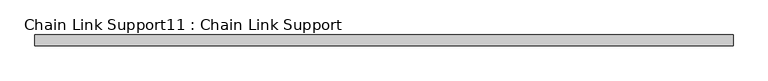
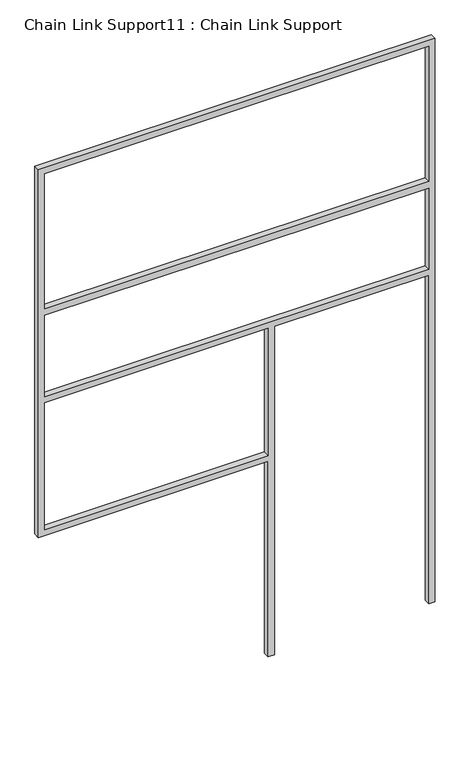
"""IFC4 building model written with IfcOpenShell, lengths in millimetres: proxy geometry, Chain Link Support11 : Chain Link Support."""

from ifc_helpers import new_model, si_unit, frame, origin, place, context, project, spatial, polyline, outline, extrude, source, transform, mapped, element, save


def chain_link_support11_chain_link_support_52241422(model_context):
    return source(origin(), model_context, "Body", "SweptSolid", [
        extrude(outline(polyline([(3657.6, -16907.2493371), (3657.6, -19345.6493371), (1270.0, -19345.6493371), (1270.0, -17932.7743371), (0.0, -17932.7743371), (0.0, -17894.6743371), (2133.6, -17894.6743371), (2133.6, -16945.3493371), (0.0, -16945.3493371), (0.0, -16907.2493371), (3657.6, -16907.2493371)]), holes=[polyline([(2171.7, -16945.3493371), (2171.7, -19307.5493371), (2698.75, -19307.5493371), (2698.75, -16945.3493371), (2171.7, -16945.3493371)]), polyline([(1308.1, -19307.5493371), (2133.6, -19307.5493371), (2133.6, -17932.7743371), (1308.1, -17932.7743371), (1308.1, -19307.5493371)]), polyline([(2743.2, -16945.3493371), (2743.2, -19307.5493371), (3619.5, -19307.5493371), (3619.5, -16945.3493371), (2743.2, -16945.3493371)])]), frame((0.0, -3998.1978765, 0.0), z_axis=(0.0, 1.0, 0.0), x_axis=(0.0, 0.0, 1.0)), (0.0, 0.0, 1.0), 38.1),
    ])


if __name__ == "__main__":
    model = new_model("IFC4")
    model_context = context("Model", 3, world=origin())
    ifc_project = project(units=[si_unit("LENGTHUNIT", "METRE", prefix="MILLI")], contexts=[model_context])
    site = spatial("IfcSite", under=ifc_project)
    building = spatial("IfcBuilding", under=site)
    placement = place(None, origin())
    chain_link_support11_chain_link_support_shape = chain_link_support11_chain_link_support_52241422(model_context)
    element("IfcBuildingElementProxy", 1, Name="Chain Link Support11 : Chain Link Support", ObjectType="Chain Link Support11 : Chain Link Support", at=placement, inside=building, context=model_context, shape_type="MappedRepresentation", body=[
        mapped(chain_link_support11_chain_link_support_shape, transform((0.0, 0.0, 0.0), x_axis=(1.0, 0.0, 0.0), y_axis=(0.0, 1.0, 0.0), z_axis=(0.0, 0.0, 1.0))),
    ])
    save(model, "model.ifc")
